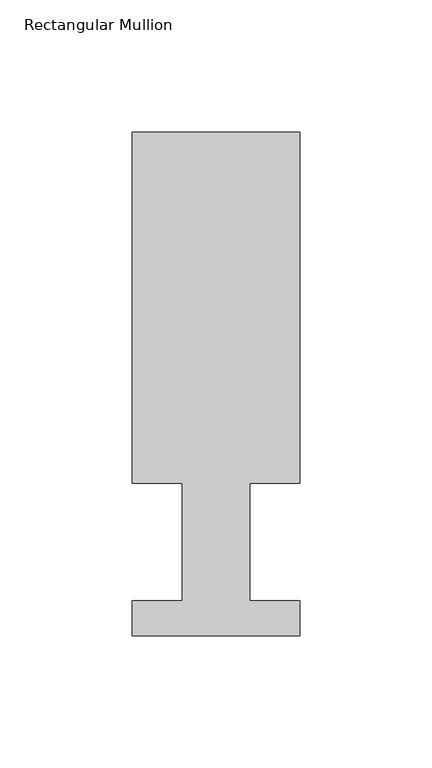
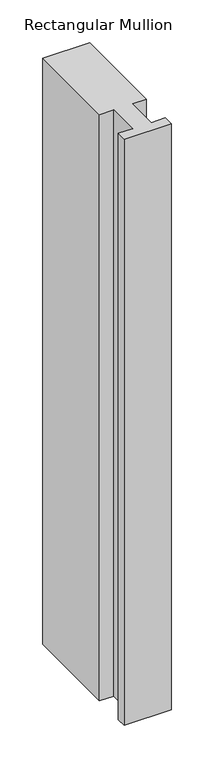
"""IFC4 building model written with IfcOpenShell, lengths in millimetres: member geometry, Rectangular Mullion."""

from ifc_helpers import new_model, si_unit, frame, origin, place, context, project, spatial, polyline, outline, extrude, source, transform, mapped, element, save


def rectangular_mullion_e9cad79c(model_context):
    return source(origin(), model_context, "Body", "SweptSolid", [
        extrude(outline(polyline([(31.75, 190.5896938), (31.75, 57.6460938), (12.7, 57.6460937), (12.7, 13.1960938), (31.75, 13.1960938), (31.75, 0.0134938), (-31.75, 0.0134938), (-31.75, 13.1960938), (-12.7, 13.1960938), (-12.7, 57.6460937), (-31.75, 57.6460937), (-31.75, 190.5896938), (31.75, 190.5896938)])), frame((0.0, 0.0, -838.2), z_axis=(0.0, 0.0, 1.0), x_axis=(1.0, 0.0, 0.0)), (0.0, 0.0, 1.0), 838.2),
    ])


if __name__ == "__main__":
    model = new_model("IFC4")
    model_context = context("Model", 3, world=origin())
    ifc_project = project(units=[si_unit("LENGTHUNIT", "METRE", prefix="MILLI")], contexts=[model_context])
    site = spatial("IfcSite", under=ifc_project)
    building = spatial("IfcBuilding", under=site)
    placement = place(None, origin())
    rectangular_mullion_shape = rectangular_mullion_e9cad79c(model_context)
    element("IfcMember", 1, ObjectType="Rectangular Mullion", at=placement, inside=building, context=model_context, shape_type="MappedRepresentation", body=[
        mapped(rectangular_mullion_shape, transform((0.0, 0.0, 0.0), x_axis=(1.0, 0.0, 0.0), y_axis=(0.0, 1.0, 0.0), z_axis=(0.0, 0.0, 1.0))),
    ])
    save(model, "model.ifc")
